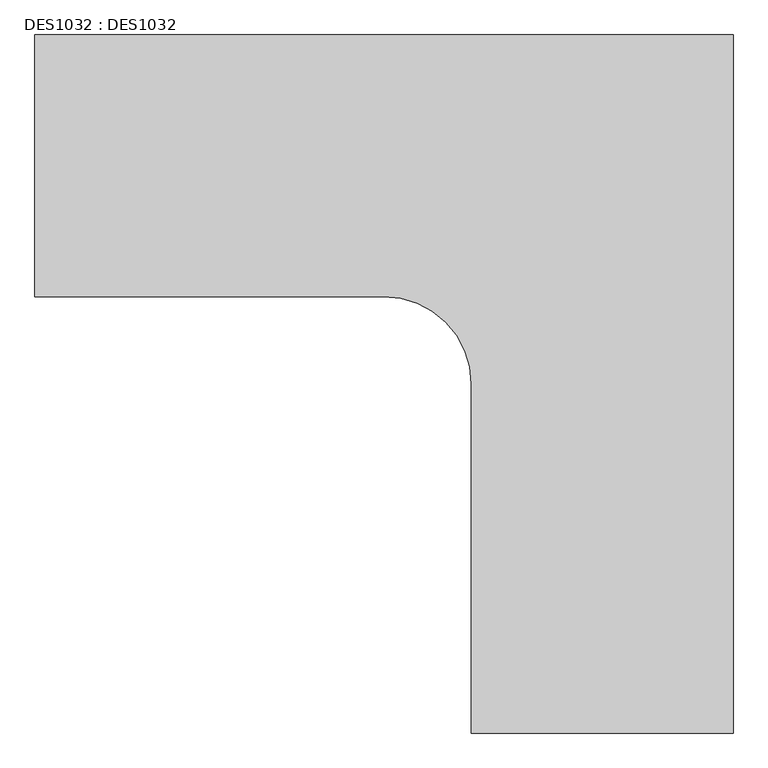
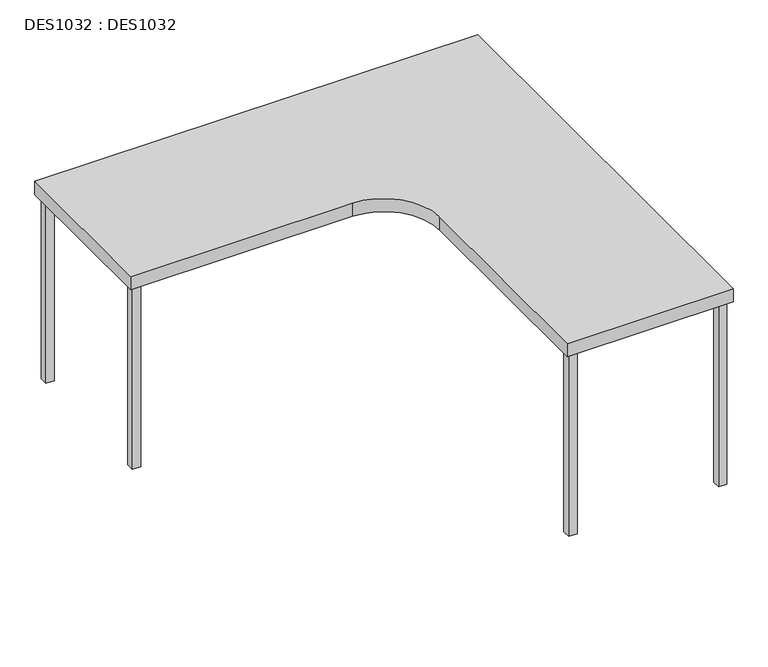
"""IFC4 building model written with IfcOpenShell, lengths in millimetres: proxy geometry, DES1032 : DES1032."""

import ifcopenshell
import ifcopenshell.guid

model = None  # the IFC model being written
_history = None  # IfcOwnerHistory: only IFC2X3 demands one
_inside = {}  # id of a spatial element -> (the spatial element, [elements in it])
_under = {}  # id of a project, library or spatial element -> (it, [spatial elements below it])
_declared = {}  # id of a project -> (the project, [libraries it declares])
_typed = {}  # id of a type object -> (the type object, [elements of that type])
_made_of = {}  # id of a material, layer set ... -> (it, [elements and type objects made of it])


def new_model(schema):
    """Start an empty IFC model of exactly this schema.

    Asked for "IFC4X3", IfcOpenShell would pick the latest addendum, in which some entities
    have other attributes; the version numbers below select the first issue.
    IFC2X3 requires an IfcOwnerHistory on every rooted entity: one is made here for all.
    """
    global model, _history
    if schema == "IFC4X3":
        model = ifcopenshell.file(schema_version=(4, 3, 0, 0))
    else:
        model = ifcopenshell.file(schema=schema)
    _inside.clear()
    _under.clear()
    _declared.clear()
    _typed.clear()
    _made_of.clear()
    _history = None
    if model.schema == "IFC2X3":
        org = make("IfcOrganization", Name="unknown")
        user = make(
            "IfcPersonAndOrganization",
            ThePerson=make("IfcPerson", FamilyName="unknown"),
            TheOrganization=org,
        )
        app = make(
            "IfcApplication",
            ApplicationDeveloper=org,
            Version="unknown",
            ApplicationFullName="unknown",
            ApplicationIdentifier="unknown",
        )
        _history = make(
            "IfcOwnerHistory",
            OwningUser=user,
            OwningApplication=app,
            ChangeAction="ADDED",
            CreationDate=0,
        )
    return model


def make(cls, **values):
    """One entity of the class cls with the attributes given. An attribute that is None is left unset."""
    return model.create_entity(
        cls, **{name: value for name, value in values.items() if value is not None}
    )


def rooted(cls, **values):
    """An entity with a GlobalId (a new one), such as an element, a storey or a relation."""
    return make(cls, GlobalId=ifcopenshell.guid.new(), OwnerHistory=_history, **values)


def si_unit(unit_type, name, prefix=None):
    """IfcSIUnit, for example si_unit("LENGTHUNIT", "METRE", prefix="MILLI")."""
    return make("IfcSIUnit", UnitType=unit_type, Prefix=prefix, Name=name)


def assignment(units):
    """IfcUnitAssignment: the units of a project."""
    return None if units is None else make("IfcUnitAssignment", Units=units)


def point(xyz):
    """IfcCartesianPoint."""
    return None if xyz is None else make("IfcCartesianPoint", Coordinates=xyz)


def direction(xyz):
    """IfcDirection."""
    return None if xyz is None else make("IfcDirection", DirectionRatios=xyz)


def frame(location, z_axis=None, x_axis=None):
    """IfcAxis2Placement3D, a coordinate frame: its origin and axes. An axis left out is left unset."""
    return make(
        "IfcAxis2Placement3D",
        Location=point(location),
        Axis=direction(z_axis),
        RefDirection=direction(x_axis),
    )


def frame_2d(location, x_axis=None):
    """IfcAxis2Placement2D, a coordinate frame in the plane: its origin and x axis."""
    return make(
        "IfcAxis2Placement2D", Location=point(location), RefDirection=direction(x_axis)
    )


def origin():
    """The frame at (0, 0, 0) with its axes left unset."""
    return frame((0.0, 0.0, 0.0))


def origin_with_axes():
    """The frame at (0, 0, 0) with the z axis (0, 0, 1) and the x axis (1, 0, 0) written out."""
    return frame((0.0, 0.0, 0.0), z_axis=(0.0, 0.0, 1.0), x_axis=(1.0, 0.0, 0.0))


def place(relative_to, where):
    """IfcLocalPlacement: puts the frame where relative to a parent placement (None: the world)."""
    return make(
        "IfcLocalPlacement", PlacementRelTo=relative_to, RelativePlacement=where
    )


def context(
    kind, dimensions, precision=None, world=None, true_north=None, identifier=None
):
    """IfcGeometricRepresentationContext, for example the 3D "Model" context."""
    return make(
        "IfcGeometricRepresentationContext",
        ContextIdentifier=identifier,
        ContextType=kind,
        CoordinateSpaceDimension=dimensions,
        Precision=precision,
        WorldCoordinateSystem=world,
        TrueNorth=true_north,
    )


def project(units=None, contexts=None):
    """IfcProject with its units and contexts."""
    return rooted(
        "IfcProject",
        Name="project",
        RepresentationContexts=contexts,
        UnitsInContext=assignment(units),
    )


def spatial(cls, under=None, at=None, **own):
    """A site, building, storey or space (cls), placed at a placement, below another one or the project."""
    s = rooted(cls, ObjectPlacement=at, **own)
    if under is not None:
        _under.setdefault(under.id(), (under, []))[1].append(s)
    return s


def polyline(points):
    """IfcPolyline through the points."""
    return make("IfcPolyline", Points=[point(p) for p in points])


def circle_curve(where, radius):
    """IfcCircle in the frame where."""
    return make("IfcCircle", Position=where, Radius=radius)


def trimmed(basis, trim1, trim2, sense, master):
    """IfcTrimmedCurve: the piece of a basis curve between two trims."""
    return make(
        "IfcTrimmedCurve",
        BasisCurve=basis,
        Trim1=trim1,
        Trim2=trim2,
        SenseAgreement=sense,
        MasterRepresentation=master,
    )


def segment(curve, same_sense, transition):
    """IfcCompositeCurveSegment."""
    return make(
        "IfcCompositeCurveSegment",
        Transition=transition,
        SameSense=same_sense,
        ParentCurve=curve,
    )


def composite_curve(segments, self_intersect=None):
    """IfcCompositeCurve: segments joined end to end."""
    return make("IfcCompositeCurve", Segments=segments, SelfIntersect=self_intersect)


def outline(outer, holes=None, kind="AREA"):
    """IfcArbitraryClosedProfileDef: a profile drawn as a closed curve; with holes, ...WithVoids."""
    if holes is None:
        return make("IfcArbitraryClosedProfileDef", ProfileType=kind, OuterCurve=outer)
    return make(
        "IfcArbitraryProfileDefWithVoids",
        ProfileType=kind,
        OuterCurve=outer,
        InnerCurves=holes,
    )


def extrude(swept, where, along, depth):
    """IfcExtrudedAreaSolid: the profile swept, set in the frame where, extruded along a direction by depth."""
    return make(
        "IfcExtrudedAreaSolid",
        SweptArea=swept,
        Position=where,
        ExtrudedDirection=direction(along),
        Depth=depth,
    )


def shape(context_of_items, identifier, shape_type, items):
    """IfcShapeRepresentation: the items that make up one representation, for example the "Body"."""
    return make(
        "IfcShapeRepresentation",
        ContextOfItems=context_of_items,
        RepresentationIdentifier=identifier,
        RepresentationType=shape_type,
        Items=items,
    )


def source(mapping_origin, context_of_items, identifier, shape_type, items):
    """IfcRepresentationMap: a shape defined once, which mapped items show again and again."""
    return make(
        "IfcRepresentationMap",
        MappingOrigin=mapping_origin,
        MappedRepresentation=shape(context_of_items, identifier, shape_type, items),
    )


def transform(
    local_origin,
    x_axis=None,
    y_axis=None,
    z_axis=None,
    scale=None,
    scale2=None,
    scale3=None,
    uniform=True,
):
    """IfcCartesianTransformationOperator3D, or its non-uniform kind. x_axis, y_axis, z_axis: its Axis1, 2, 3."""
    if uniform:
        return make(
            "IfcCartesianTransformationOperator3D",
            Axis1=direction(x_axis),
            Axis2=direction(y_axis),
            LocalOrigin=point(local_origin),
            Scale=scale,
            Axis3=direction(z_axis),
        )
    return make(
        "IfcCartesianTransformationOperator3DnonUniform",
        Axis1=direction(x_axis),
        Axis2=direction(y_axis),
        LocalOrigin=point(local_origin),
        Scale=scale,
        Axis3=direction(z_axis),
        Scale2=scale2,
        Scale3=scale3,
    )


def mapped(mapping_source, mapping_target):
    """IfcMappedItem: shows the shape of a source again, moved by a transform."""
    return make(
        "IfcMappedItem", MappingSource=mapping_source, MappingTarget=mapping_target
    )


def made_of(thing, what):
    """Note that an element or type object is made of a material, layer set ...; save() writes the relation."""
    if what is not None:
        _made_of.setdefault(what.id(), (what, []))[1].append(thing)
    return thing


def element(
    cls,
    number,
    at=None,
    inside=None,
    cuts=None,
    type_object=None,
    material=None,
    context=None,
    identifier="Body",
    shape_type=None,
    held_by="IfcProductDefinitionShape",
    body=None,
    shapes=None,
    **own,
):
    """One element of the class cls, such as IfcWall. Its Tag is "e" and its number.

    at: its placement. inside: the storey or other place that contains it. cuts: it is an
    opening in that element (IfcRelVoidsElement). A single representation is given by context,
    identifier, shape_type and body (its items); several are given by shapes. held_by: the class
    of the entity that holds the representations. save() writes the other relations.
    """
    e = rooted(cls, Tag="e%d" % number, ObjectPlacement=at, **own)
    if body is not None:
        shapes = [shape(context, identifier, shape_type, body)]
    if shapes is not None:
        e.Representation = make(held_by, Representations=shapes)
    if inside is not None:
        _inside.setdefault(inside.id(), (inside, []))[1].append(e)
    if cuts is not None:
        rooted(
            "IfcRelVoidsElement", RelatingBuildingElement=cuts, RelatedOpeningElement=e
        )
    if type_object is not None:
        _typed.setdefault(type_object.id(), (type_object, []))[1].append(e)
    return made_of(e, material)


def aggregate(whole, parts):
    """IfcRelAggregates: a whole, such as a stair, and the parts it consists of."""
    return rooted("IfcRelAggregates", RelatingObject=whole, RelatedObjects=parts)


def save(model, path):
    """Write the relations noted so far, then the file.

    IfcRelAggregates (storeys below a building ...), IfcRelContainedInSpatialStructure (elements
    in a storey), IfcRelDefinesByType, IfcRelAssociatesMaterial and IfcRelDeclares: one each for
    every whole, place, type object, material and project.
    """
    for whole, parts in _under.values():
        aggregate(whole, parts)
    for where, things in _inside.values():
        rooted(
            "IfcRelContainedInSpatialStructure",
            RelatedElements=things,
            RelatingStructure=where,
        )
    for kind, things in _typed.values():
        rooted("IfcRelDefinesByType", RelatedObjects=things, RelatingType=kind)
    for what, things in _made_of.values():
        rooted("IfcRelAssociatesMaterial", RelatedObjects=things, RelatingMaterial=what)
    for by, libraries in _declared.values():
        rooted("IfcRelDeclares", RelatingContext=by, RelatedDefinitions=libraries)
    model.write(path)


def des1032_des1032_a8055e44(model_context):
    return source(origin(), model_context, "Body", "SweptSolid", [
        extrude(outline(polyline([(1585.8578644, -1555.8578644), (1585.8578644, -1585.8578644), (1555.8578644, -1585.8578644), (1555.8578644, -1555.8578644), (1585.8578644, -1555.8578644)])), origin_with_axes(), (0.0, 0.0, 1.0), 700.0),
        extrude(outline(polyline([(44.1421356, -14.1421356), (44.1421356, -44.1421356), (14.1421356, -44.1421356), (14.1421356, -14.1421356), (44.1421356, -14.1421356)])), origin_with_axes(), (0.0, 0.0, 1.0), 700.0),
        extrude(outline(polyline([(1585.8578644, -44.1421356), (1555.8578644, -44.1421356), (1555.8578644, -14.1421356), (1585.8578644, -14.1421356), (1585.8578644, -44.1421356)])), origin_with_axes(), (0.0, 0.0, 1.0), 700.0),
        extrude(outline(polyline([(1044.0, -1585.8578644), (1014.0, -1585.8578644), (1014.0, -1555.8578644), (1044.0, -1555.8578644), (1044.0, -1585.8578644)])), origin_with_axes(), (0.0, 0.0, 1.0), 700.0),
        extrude(outline(polyline([(44.1421356, -585.8578644), (14.1421356, -585.8578644), (14.1421356, -555.8578644), (44.1421356, -555.8578644), (44.1421356, -585.8578644)])), origin_with_axes(), (0.0, 0.0, 1.0), 700.0),
        extrude(outline(composite_curve([segment(polyline([(1600.0, 0.0), (1600.0, -1600.0), (1000.0, -1600.0), (1000.0, -800.0)]), True, "CONTINUOUS"), segment(trimmed(circle_curve(frame_2d((800.0, -800.0)), 200.0), [point((1000.0, -800.0))], [point((800.0, -600.0))], True, "CARTESIAN"), True, "CONTINUOUS"), segment(polyline([(800.0, -600.0), (0.0, -600.0), (0.0, 0.0), (1600.0, 0.0)]), True, "CONTINUOUS")], self_intersect=False)), frame((0.0, 0.0, 700.0), z_axis=(0.0, 0.0, 1.0), x_axis=(1.0, 0.0, 0.0)), (0.0, 0.0, 1.0), 50.0),
    ])


if __name__ == "__main__":
    model = new_model("IFC4")
    model_context = context("Model", 3, world=origin())
    ifc_project = project(units=[si_unit("LENGTHUNIT", "METRE", prefix="MILLI")], contexts=[model_context])
    site = spatial("IfcSite", under=ifc_project)
    building = spatial("IfcBuilding", under=site)
    placement = place(None, origin())
    des1032_des1032_shape = des1032_des1032_a8055e44(model_context)
    element("IfcBuildingElementProxy", 1, Name="DES1032 : DES1032", ObjectType="DES1032 : DES1032", at=placement, inside=building, context=model_context, shape_type="MappedRepresentation", body=[
        mapped(des1032_des1032_shape, transform((0.0, 0.0, 0.0), x_axis=(1.0, 0.0, 0.0), y_axis=(0.0, 1.0, 0.0), z_axis=(0.0, 0.0, 1.0))),
    ])
    save(model, "model.ifc")
